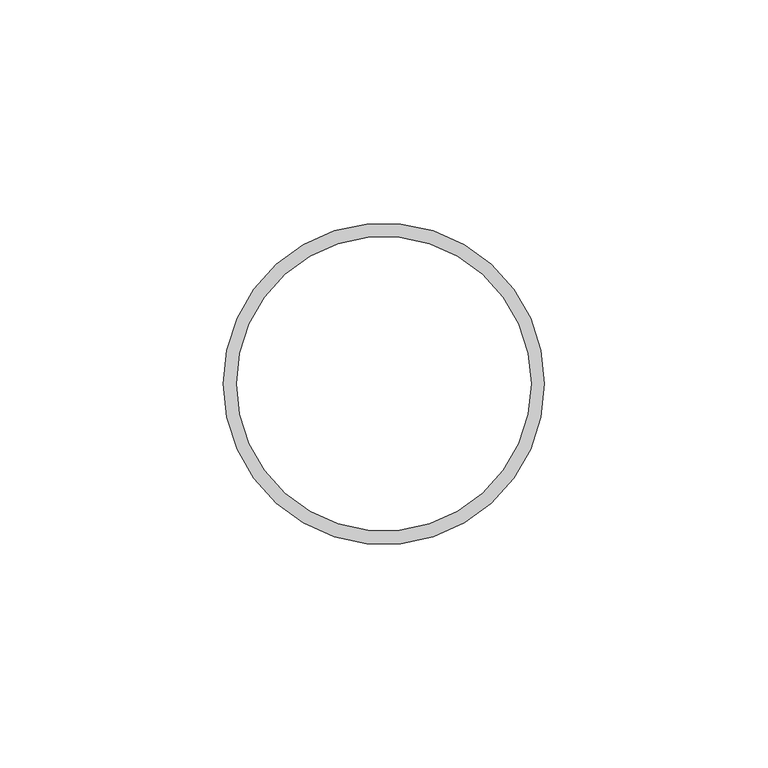
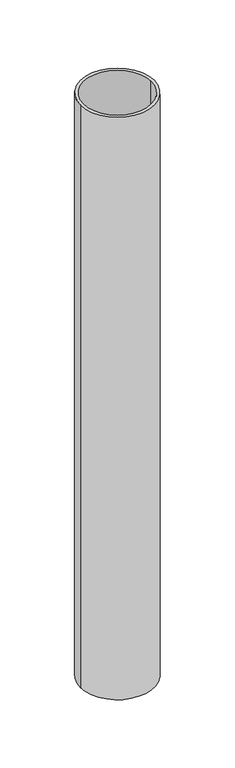
"""IFC4 building model written with IfcOpenShell, lengths in millimetres: beam geometry."""

from ifc_helpers import new_model, si_unit, point, frame, origin, origin_2d, place, context, project, spatial, circle_curve, trimmed, segment, composite_curve, outline, extrude, source, transform, mapped, element, save


def beam_b428d0e6(model_context):
    return source(origin(), model_context, "Body", "SweptSolid", [
        extrude(outline(composite_curve([segment(trimmed(circle_curve(origin_2d(), 36.0), [point((36.0, 0.0))], [point((-36.0, 0.0))], False, "CARTESIAN"), True, "CONTINUOUS"), segment(trimmed(circle_curve(origin_2d(), 36.0), [point((-36.0, 0.0))], [point((36.0, 0.0))], False, "CARTESIAN"), True, "CONTINUOUS")], self_intersect=False), holes=[composite_curve([segment(trimmed(circle_curve(origin_2d(), 33.0), [point((33.0, 0.0))], [point((-33.0, 0.0))], True, "CARTESIAN"), True, "CONTINUOUS"), segment(trimmed(circle_curve(origin_2d(), 33.0), [point((-33.0, 0.0))], [point((33.0, 0.0))], True, "CARTESIAN"), True, "CONTINUOUS")], self_intersect=False)]), frame((0.0, 0.0, -600.0), z_axis=(0.0, 0.0, 1.0), x_axis=(1.0, 0.0, 0.0)), (0.0, 0.0, 1.0), 600.0),
    ])


if __name__ == "__main__":
    model = new_model("IFC4")
    model_context = context("Model", 3, world=origin())
    ifc_project = project(units=[si_unit("LENGTHUNIT", "METRE", prefix="MILLI")], contexts=[model_context])
    site = spatial("IfcSite", under=ifc_project)
    building = spatial("IfcBuilding", under=site)
    placement = place(None, origin())
    beam_shape = beam_b428d0e6(model_context)
    element("IfcBeam", 1, at=placement, inside=building, context=model_context, shape_type="MappedRepresentation", body=[
        mapped(beam_shape, transform((0.0, 0.0, 0.0), x_axis=(1.0, 0.0, 0.0), y_axis=(0.0, 1.0, 0.0), z_axis=(0.0, 0.0, 1.0))),
    ])
    save(model, "model.ifc")
